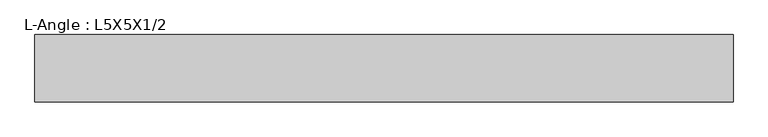
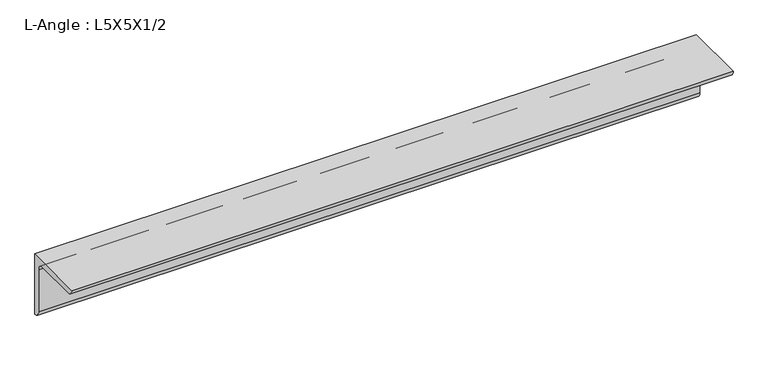
"""IFC4 building model written with IfcOpenShell, lengths in millimetres: beam geometry, L-Angle : L5X5X1/2."""

from ifc_helpers import new_model, si_unit, point, frame, frame_2d, origin, place, context, project, spatial, polyline, circle_curve, trimmed, segment, composite_curve, outline, extrude, source, transform, mapped, element, save


def l_angle_l5x5x1_2_507b1865(model_context):
    return source(origin(), model_context, "Body", "SweptSolid", [
        extrude(outline(composite_curve([segment(polyline([(36.068, 36.068), (36.068, -90.932)]), True, "CONTINUOUS"), segment(trimmed(circle_curve(frame_2d((36.068, -78.232)), 12.7), [point((36.068, -90.932))], [point((23.368, -78.232))], False, "CARTESIAN"), True, "CONTINUOUS"), segment(polyline([(23.368, -78.232), (23.368, 10.668)]), True, "CONTINUOUS"), segment(trimmed(circle_curve(frame_2d((10.668, 10.668)), 12.7), [point((23.368, 10.668))], [point((10.668, 23.368))], True, "CARTESIAN"), True, "CONTINUOUS"), segment(polyline([(10.668, 23.368), (-78.232, 23.368)]), True, "CONTINUOUS"), segment(trimmed(circle_curve(frame_2d((-78.232, 36.068)), 12.7), [point((-78.232, 23.368))], [point((-90.932, 36.068))], False, "CARTESIAN"), True, "CONTINUOUS"), segment(polyline([(-90.932, 36.068), (36.068, 36.068)]), True, "CONTINUOUS")], self_intersect=False)), frame((-1132.4506553, 0.0, 0.0), z_axis=(1.0, 0.0, 0.0), x_axis=(0.0, 1.0, 0.0)), (0.0, 0.0, 1.0), 1316.6499427),
    ])


if __name__ == "__main__":
    model = new_model("IFC4")
    model_context = context("Model", 3, world=origin())
    ifc_project = project(units=[si_unit("LENGTHUNIT", "METRE", prefix="MILLI")], contexts=[model_context])
    site = spatial("IfcSite", under=ifc_project)
    building = spatial("IfcBuilding", under=site)
    placement = place(None, origin())
    l_angle_l5x5x1_2_shape = l_angle_l5x5x1_2_507b1865(model_context)
    element("IfcBeam", 1, ObjectType="L-Angle : L5X5X1/2", at=placement, inside=building, context=model_context, shape_type="MappedRepresentation", body=[
        mapped(l_angle_l5x5x1_2_shape, transform((0.0, 0.0, 0.0), x_axis=(1.0, 0.0, 0.0), y_axis=(0.0, 1.0, 0.0), z_axis=(0.0, 0.0, 1.0))),
    ])
    save(model, "model.ifc")
